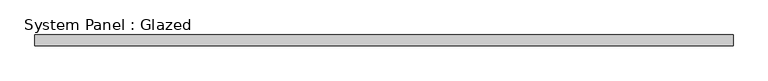
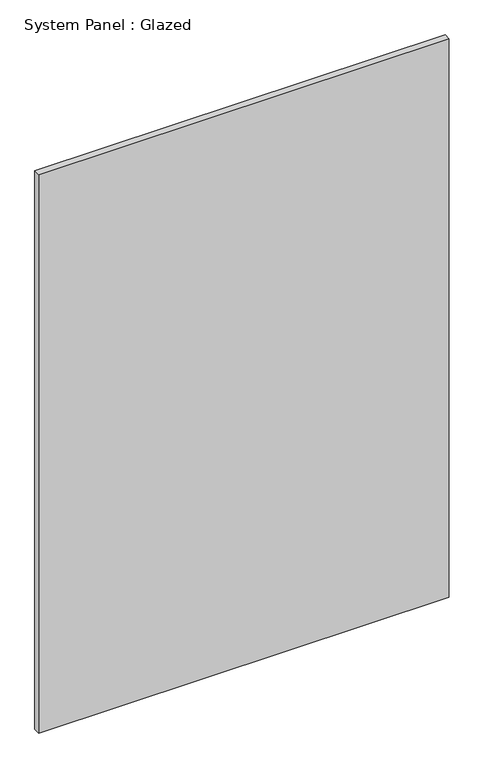
"""IFC4 building model written with IfcOpenShell, lengths in millimetres: plate geometry, System Panel : Glazed."""

from ifc_helpers import new_model, si_unit, origin, origin_with_axes, place, context, project, spatial, polyline, outline, extrude, source, transform, mapped, element, save


def system_panel_glazed_3d3c5bc9(model_context):
    return source(origin(), model_context, "Body", "SweptSolid", [
        extrude(outline(polyline([(808.6842105, 52.5), (-808.6842105, 52.5), (-808.6842105, 77.5), (808.6842105, 77.5), (808.6842105, 52.5)])), origin_with_axes(), (0.0, 0.0, 1.0), 2325.0),
    ])


if __name__ == "__main__":
    model = new_model("IFC4")
    model_context = context("Model", 3, world=origin())
    ifc_project = project(units=[si_unit("LENGTHUNIT", "METRE", prefix="MILLI")], contexts=[model_context])
    site = spatial("IfcSite", under=ifc_project)
    building = spatial("IfcBuilding", under=site)
    placement = place(None, origin())
    system_panel_glazed_shape = system_panel_glazed_3d3c5bc9(model_context)
    element("IfcPlate", 1, ObjectType="System Panel : Glazed", at=placement, inside=building, context=model_context, shape_type="MappedRepresentation", body=[
        mapped(system_panel_glazed_shape, transform((0.0, 0.0, 0.0), x_axis=(1.0, 0.0, 0.0), y_axis=(0.0, 1.0, 0.0), z_axis=(0.0, 0.0, 1.0))),
    ])
    save(model, "model.ifc")
